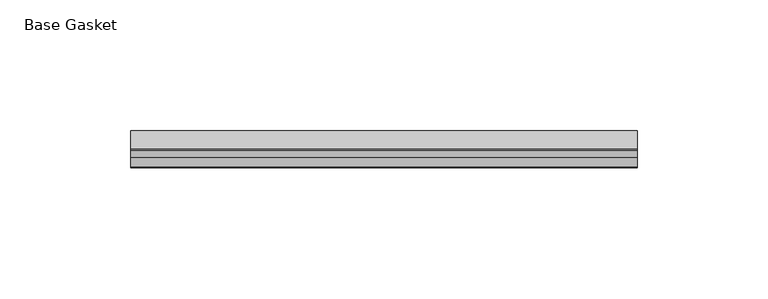
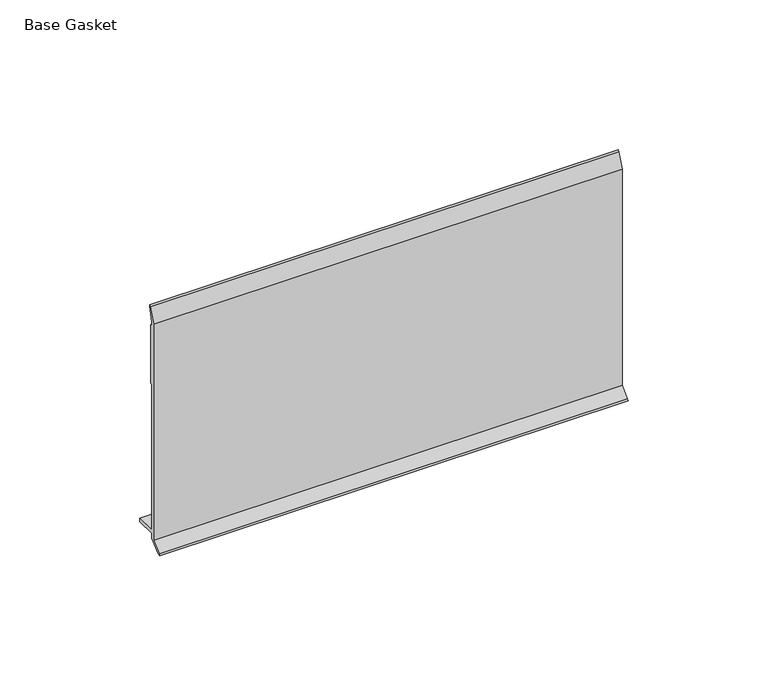
"""IFC4 building model written with IfcOpenShell, lengths in millimetres: furniture geometry, Base Gasket."""

from ifc_helpers import new_model, si_unit, frame, origin, place, context, project, spatial, polyline, outline, extrude, source, transform, mapped, element, save


def base_gasket_807d4185(model_context):
    return source(origin(), model_context, "Body", "SweptSolid", [
        extrude(outline(polyline([(-3.7283812, 98.4568417), (-1.1891543, 104.587663), (-0.6755308, 105.2002997), (-0.6755308, 104.4162708), (-2.2043812, 98.4568417), (-2.2043812, 96.8693477), (-1.4106313, 96.8693477), (-1.4106313, 71.4693447), (-2.2043812, 71.4693447), (-2.2043812, 7.9398773), (6.2405171, 7.9398773), (6.2405171, 6.3818476), (-2.1334222, 6.3818476), (-2.2043812, 4.3498477), (-6.8281054, 0.3520979), (-7.8482342, 0.0), (-7.4222115, 0.6560174), (-3.7283812, 4.3498477), (-3.7283812, 98.4568417)])), frame((-1527.8982117, 0.0, 0.0), z_axis=(1.0, 0.0, 0.0), x_axis=(0.0, 1.0, 0.0)), (0.0, 0.0, 1.0), 193.2432),
    ])


if __name__ == "__main__":
    model = new_model("IFC4")
    model_context = context("Model", 3, world=origin())
    ifc_project = project(units=[si_unit("LENGTHUNIT", "METRE", prefix="MILLI")], contexts=[model_context])
    site = spatial("IfcSite", under=ifc_project)
    building = spatial("IfcBuilding", under=site)
    placement = place(None, origin())
    base_gasket_shape = base_gasket_807d4185(model_context)
    element("IfcFurniture", 1, ObjectType="Base Gasket", at=placement, inside=building, context=model_context, shape_type="MappedRepresentation", body=[
        mapped(base_gasket_shape, transform((0.0, 0.0, 0.0), x_axis=(1.0, 0.0, 0.0), y_axis=(0.0, 1.0, 0.0), z_axis=(0.0, 0.0, 1.0))),
    ])
    save(model, "model.ifc")
